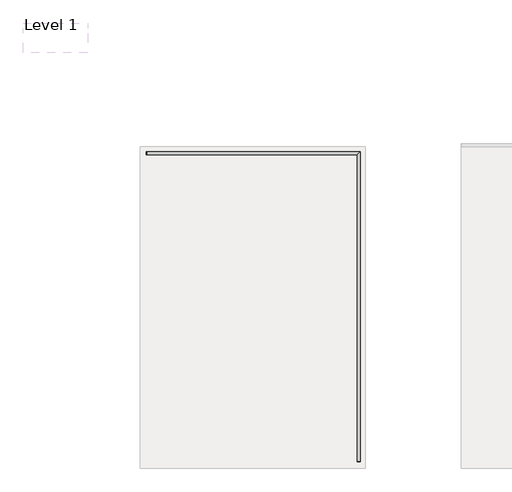
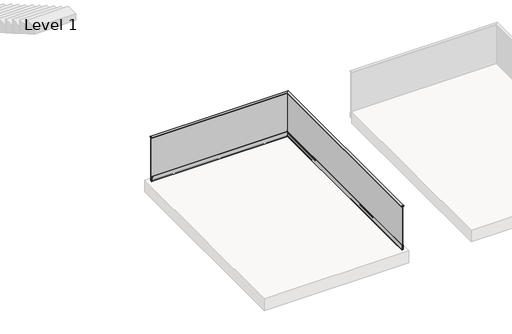
# One storey, part 9 of 11: 1 railing.
"""IFC4 building model written with IfcOpenShell, lengths in millimetres."""

from ifc_helpers import new_model, si_unit, frame, origin, place, context, project, spatial, polyline, circle_curve, ellipse_curve, outline, extrude, faceted_brep, element, save
from ifc_brep_helpers import plane_surface, cylinder_surface, revolved_surface, advanced_brep

model = new_model("IFC4")

# Units and contexts
model_context = context("Model", 3, world=origin())
ifc_project = project(units=[si_unit("LENGTHUNIT", "METRE", prefix="MILLI")], contexts=[model_context])

# Site, building, storey
site = spatial("IfcSite", under=ifc_project)
building = spatial("IfcBuilding", under=site)
storey = spatial("IfcBuildingStorey", under=building, Name="Level 1", Elevation=0.0)

# Railing
placement = place(None, origin())
element("IfcRailing", 1, at=placement, inside=storey, context=model_context, shape_type="SolidModel", body=[
    advanced_brep(
    [(-10291.5524845, -31764.3362173, 1126.0), (-10291.5524845, -31767.3362173, 1126.0), (-10243.5524845, -31767.3362173, 1126.0), (-10243.5524845, -31764.3362173, 1126.0), (-10291.5524845, -31764.3362173, 1106.0), (-10243.5524845, -31764.3362173, 1106.0), (-10243.5524845, -31767.3362173, 1106.0), (-10291.5524845, -31767.3362173, 1106.0), (-10277.0823668, -31767.3362173, 1110.0), (-10278.8492874, -31767.3362173, 1110.0), (-10278.8492874, -31767.3362173, 1121.8910916), (-10277.0823668, -31767.3362173, 1121.8910916), (-10272.4550834, -31767.3362173, 1113.8283296), (-10273.8430621, -31767.3362173, 1110.0418015), (-10275.120848, -31767.3362173, 1110.0418015), (-10271.8795529, -31767.3362173, 1119.7289848), (-10271.2907357, -31767.3362173, 1121.9204218), (-10271.2907357, -31767.3362173, 1123.4042101), (-10270.2907357, -31767.3362173, 1123.4042101), (-10270.2907357, -31767.3362173, 1121.9204218), (-10269.7019184, -31767.3362173, 1119.7289848), (-10266.4606233, -31767.3362173, 1110.0418015), (-10267.7384092, -31767.3362173, 1110.0418015), (-10269.1263879, -31767.3362173, 1113.8283296), (-10258.944788, -31767.3362173, 1113.2872278), (-10262.9474759, -31767.3362173, 1118.8363254), (-10262.9474759, -31767.3362173, 1110.0), (-10264.7143965, -31767.3362173, 1110.0), (-10264.7143965, -31767.3362173, 1121.8910916), (-10263.0417337, -31767.3362173, 1121.8910916), (-10258.9410365, -31767.3362173, 1116.2372765), (-10254.8641105, -31767.3362173, 1121.8910916), (-10253.2119805, -31767.3362173, 1121.8910916), (-10253.2119805, -31767.3362173, 1110.0), (-10254.9875828, -31767.3362173, 1110.0), (-10254.9875828, -31767.3362173, 1118.8363254), (-10269.6772917, -31767.3362173, 1115.3283296), (-10270.7907357, -31767.3362173, 1118.3642296), (-10271.9041797, -31767.3362173, 1115.3283296), (-10278.8492874, -31766.5362173, 1110.0), (-10277.0823668, -31766.5362173, 1110.0), (-10277.0823668, -31766.5362173, 1121.8910916), (-10278.8492874, -31766.5362173, 1121.8910916), (-10273.8430621, -31766.5362173, 1110.0418015), (-10272.4550834, -31766.5362173, 1113.8283296), (-10269.1263879, -31766.5362173, 1113.8283296), (-10267.7384092, -31766.5362173, 1110.0418015), (-10266.4606233, -31766.5362173, 1110.0418015), (-10269.7019184, -31766.5362173, 1119.7289848), (-10270.2907357, -31766.5362173, 1121.9204218), (-10270.2907357, -31766.5362173, 1123.4042101), (-10271.2907357, -31766.5362173, 1123.4042101), (-10271.2907357, -31766.5362173, 1121.9204218), (-10271.8795529, -31766.5362173, 1119.7289848), (-10275.120848, -31766.5362173, 1110.0418015), (-10270.7907357, -31766.5362173, 1118.3642296), (-10269.6772917, -31766.5362173, 1115.3283296), (-10271.9041797, -31766.5362173, 1115.3283296), (-10262.9474759, -31766.5362173, 1118.8363254), (-10258.944788, -31766.5362173, 1113.2872278), (-10254.9875828, -31766.5362173, 1118.8363254), (-10254.9875828, -31766.5362173, 1110.0), (-10253.2119805, -31766.5362173, 1110.0), (-10253.2119805, -31766.5362173, 1121.8910916), (-10254.8641105, -31766.5362173, 1121.8910916), (-10258.9410365, -31766.5362173, 1116.2372765), (-10263.0417337, -31766.5362173, 1121.8910916), (-10264.7143965, -31766.5362173, 1121.8910916), (-10264.7143965, -31766.5362173, 1110.0), (-10262.9474759, -31766.5362173, 1110.0)],
    [
        (0, 1),
        (1, 2),
        (2, 3),
        (3, 0),
        (4, 5),
        (5, 6),
        (6, 7),
        (7, 4),
        (0, 4),
        (7, 1),
        (6, 2),
        (8, 9),
        (9, 10),
        (10, 11),
        (11, 8),
        (12, 13),
        (13, 14),
        (14, 15),
        (15, 16, circle_curve(frame((-10270.7907357, -31767.3362173, 1120.6112537), z_axis=(0.0, 1.0, 0.0), x_axis=(1.0, 0.0, 0.0)), 1.4013998)),
        (16, 17),
        (17, 18),
        (18, 19),
        (19, 20, circle_curve(frame((-10270.7907357, -31767.3362173, 1120.6112537), z_axis=(0.0, 1.0, 0.0), x_axis=(1.0, 0.0, 0.0)), 1.4013998)),
        (20, 21),
        (21, 22),
        (22, 23),
        (23, 12),
        (24, 25),
        (25, 26),
        (26, 27),
        (27, 28),
        (28, 29),
        (29, 30),
        (30, 31),
        (31, 32),
        (32, 33),
        (33, 34),
        (34, 35),
        (35, 24),
        (36, 37),
        (37, 38),
        (38, 36),
        (5, 3),
        (39, 40),
        (40, 41),
        (41, 42),
        (42, 39),
        (43, 44),
        (44, 45),
        (45, 46),
        (46, 47),
        (47, 48),
        (48, 49, circle_curve(frame((-10270.7907357, -31766.5362173, 1120.6112537), z_axis=(0.0, -1.0, 0.0), x_axis=(1.0, 0.0, 0.0)), 1.4013998)),
        (49, 50),
        (50, 51),
        (51, 52),
        (52, 53, circle_curve(frame((-10270.7907357, -31766.5362173, 1120.6112537), z_axis=(0.0, -1.0, 0.0), x_axis=(1.0, 0.0, 0.0)), 1.4013998)),
        (53, 54),
        (54, 43),
        (55, 56),
        (56, 57),
        (57, 55),
        (58, 59),
        (59, 60),
        (60, 61),
        (61, 62),
        (62, 63),
        (63, 64),
        (64, 65),
        (65, 66),
        (66, 67),
        (67, 68),
        (68, 69),
        (69, 58),
        (39, 9),
        (8, 40),
        (11, 41),
        (10, 42),
        (43, 13),
        (12, 44),
        (23, 45),
        (22, 46),
        (21, 47),
        (20, 48),
        (19, 49),
        (18, 50),
        (17, 51),
        (16, 52),
        (15, 53),
        (14, 54),
        (55, 37),
        (36, 56),
        (38, 57),
        (58, 25),
        (24, 59),
        (35, 60),
        (34, 61),
        (33, 62),
        (32, 63),
        (31, 64),
        (30, 65),
        (29, 66),
        (28, 67),
        (27, 68),
        (26, 69),
    ],
    [
        plane_surface(frame((-10291.5524845, -31767.3362173, 1126.0), z_axis=(0.0, 0.0, 1.0), x_axis=(0.0, -1.0, 0.0))),
        plane_surface(frame((-10291.5524845, -31767.3362173, 1106.0), z_axis=(0.0, 0.0, -1.0), x_axis=(0.0, 1.0, 0.0))),
        plane_surface(frame((-10291.5524845, -31764.3362173, 1126.0), z_axis=(-1.0, 0.0, 0.0), x_axis=(0.0, 0.0, -1.0))),
        plane_surface(frame((-10291.5524845, -31767.3362173, 1126.0), z_axis=(0.0, -1.0, 0.0), x_axis=(0.0, 0.0, -1.0))),
        plane_surface(frame((-10243.5524845, -31767.3362173, 1126.0), z_axis=(1.0, 0.0, 0.0), x_axis=(0.0, 0.0, -1.0))),
        plane_surface(frame((-10243.5524845, -31764.3362173, 1126.0), z_axis=(0.0, 1.0, 0.0), x_axis=(0.0, 0.0, -1.0))),
        plane_surface(frame((-10277.0823668, -31766.5362173, 1110.0), z_axis=(0.0, -1.0, 0.0), x_axis=(-1.0, 0.0, 0.0))),
        plane_surface(frame((-10278.8492874, -31773.7911269, 1110.0), z_axis=(0.0, 0.0, 1.0), x_axis=(0.0, 1.0, 0.0))),
        plane_surface(frame((-10277.0823668, -31773.7911269, 1110.0), z_axis=(-1.0, 0.0, 0.0), x_axis=(0.0, 1.0, 0.0))),
        plane_surface(frame((-10277.0823668, -31773.7911269, 1121.8910916), z_axis=(0.0, 0.0, -1.0), x_axis=(0.0, 1.0, 0.0))),
        plane_surface(frame((-10278.8492874, -31773.7911269, 1121.8910916), z_axis=(1.0, 0.0, 0.0), x_axis=(0.0, 1.0, 0.0))),
        plane_surface(frame((-10273.8430621, -31773.7911269, 1110.0418015), z_axis=(-0.9389095690504639, 0.0, 0.34416394515618903), x_axis=(0.0, 1.0, 0.0))),
        plane_surface(frame((-10272.4550834, -31773.7911269, 1113.8283296), z_axis=(0.0, 0.0, 1.0), x_axis=(0.0, 1.0, 0.0))),
        plane_surface(frame((-10269.1263879, -31773.7911269, 1113.8283296), z_axis=(0.9389095690504728, 0.0, 0.34416394515616455), x_axis=(0.0, 1.0, 0.0))),
        plane_surface(frame((-10267.7384092, -31773.7911269, 1110.0418015), z_axis=(0.0, 0.0, 1.0), x_axis=(0.0, 1.0, 0.0))),
        plane_surface(frame((-10266.4606233, -31773.7911269, 1110.0418015), z_axis=(-0.9483233937709086, 0.0, -0.3173054377517449), x_axis=(0.0, 1.0, 0.0))),
        revolved_surface(polyline([(-10269.389335900001, -31767.3362173, 1120.6112537), (-10269.389335900001, -31766.5362173, 1120.6112537)]), (-10270.7907357, -31764.3362173, 1120.6112537), (0.0, -1.0, 0.0)),
        plane_surface(frame((-10270.2907357, -31773.7911269, 1121.9204218), z_axis=(-1.0, 0.0, -8.150728408147997e-12), x_axis=(0.0, 1.0, 0.0))),
        plane_surface(frame((-10270.2907357, -31773.7911269, 1123.4042101), z_axis=(0.0, 0.0, -1.0), x_axis=(0.0, 1.0, 0.0))),
        plane_surface(frame((-10271.2907357, -31773.7911269, 1123.4042101), z_axis=(1.0, 0.0, 0.0), x_axis=(0.0, 1.0, 0.0))),
        plane_surface(frame((-10271.8795529, -31773.7911269, 1119.7289848), z_axis=(0.9483233937714675, 0.0, -0.3173054377500742), x_axis=(0.0, 1.0, 0.0))),
        plane_surface(frame((-10275.120848, -31773.7911269, 1110.0418015), z_axis=(0.0, 0.0, 1.0), x_axis=(0.0, 1.0, 0.0))),
        plane_surface(frame((-10270.7907357, -31773.7911269, 1118.3642296), z_axis=(0.9388482559136598, 0.0, 0.3443311667100135), x_axis=(0.0, 1.0, 0.0))),
        plane_surface(frame((-10269.6772917, -31773.7911269, 1115.3283296), z_axis=(0.0, 0.0, -1.0), x_axis=(0.0, 1.0, 0.0))),
        plane_surface(frame((-10271.9041797, -31773.7911269, 1115.3283296), z_axis=(-0.9388482559137024, 0.0, 0.3443311667098978), x_axis=(0.0, 1.0, 0.0))),
        plane_surface(frame((-10262.9474759, -31773.7911269, 1118.8363254), z_axis=(0.8110255103954597, 0.0, 0.5850107874969352), x_axis=(0.0, 1.0, 0.0))),
        plane_surface(frame((-10258.944788, -31773.7911269, 1113.2872278), z_axis=(-0.8141798587893506, 0.0, 0.5806127431789222), x_axis=(0.0, 1.0, 0.0))),
        plane_surface(frame((-10254.9875828, -31773.7911269, 1118.8363254), z_axis=(1.0, 0.0, 0.0), x_axis=(0.0, 1.0, 0.0))),
        plane_surface(frame((-10254.9875828, -31773.7911269, 1110.0), z_axis=(0.0, 0.0, 1.0), x_axis=(0.0, 1.0, 0.0))),
        plane_surface(frame((-10253.2119805, -31773.7911269, 1110.0), z_axis=(-1.0, 0.0, 0.0), x_axis=(0.0, 1.0, 0.0))),
        plane_surface(frame((-10253.2119805, -31773.7911269, 1121.8910916), z_axis=(0.0, 0.0, -1.0), x_axis=(0.0, 1.0, 0.0))),
        plane_surface(frame((-10254.8641105, -31773.7911269, 1121.8910916), z_axis=(0.8111137792362568, 0.0, -0.5848883971605838), x_axis=(0.0, 1.0, 0.0))),
        plane_surface(frame((-10258.9410365, -31773.7911269, 1116.2372765), z_axis=(-0.8094960389787019, 0.0, -0.5871253383033234), x_axis=(0.0, 1.0, 0.0))),
        plane_surface(frame((-10263.0417337, -31773.7911269, 1121.8910916), z_axis=(0.0, 0.0, -1.0), x_axis=(0.0, 1.0, 0.0))),
        plane_surface(frame((-10264.7143965, -31773.7911269, 1121.8910916), z_axis=(1.0, 0.0, 0.0), x_axis=(0.0, 1.0, 0.0))),
        plane_surface(frame((-10264.7143965, -31773.7911269, 1110.0), z_axis=(0.0, 0.0, 1.0), x_axis=(0.0, 1.0, 0.0))),
        plane_surface(frame((-10262.9474759, -31773.7911269, 1110.0), z_axis=(-1.0, 0.0, 0.0), x_axis=(0.0, 1.0, 0.0))),
    ],
    [
        (0, [[1, 2, 3, 4]]),
        (1, [[5, 6, 7, 8]]),
        (2, [[-1, 9, -8, 10]]),
        (3, [[-2, -10, -7, 11], [12, 13, 14, 15], [16, 17, 18, 19, 20, 21, 22, 23, 24, 25, 26, 27], [28, 29, 30, 31, 32, 33, 34, 35, 36, 37, 38, 39]]),
        (3, [[40, 41, 42]]),
        (4, [[-3, -11, -6, 43]]),
        (5, [[-4, -43, -5, -9]]),
        (6, [[44, 45, 46, 47]]),
        (6, [[48, 49, 50, 51, 52, 53, 54, 55, 56, 57, 58, 59], [60, 61, 62]]),
        (6, [[63, 64, 65, 66, 67, 68, 69, 70, 71, 72, 73, 74]]),
        (7, [[-44, 75, -12, 76]]),
        (8, [[-45, -76, -15, 77]]),
        (9, [[-46, -77, -14, 78]]),
        (10, [[-47, -78, -13, -75]]),
        (11, [[-48, 79, -16, 80]]),
        (12, [[-49, -80, -27, 81]]),
        (13, [[-50, -81, -26, 82]]),
        (14, [[-51, -82, -25, 83]]),
        (15, [[-52, -83, -24, 84]]),
        (16, [[-53, -84, -23, 85]]),
        (17, [[-54, -85, -22, 86]]),
        (18, [[-55, -86, -21, 87]]),
        (19, [[-56, -87, -20, 88]]),
        (16, [[-57, -88, -19, 89]]),
        (20, [[-58, -89, -18, 90]]),
        (21, [[-59, -90, -17, -79]]),
        (22, [[-60, 91, -40, 92]]),
        (23, [[-61, -92, -42, 93]]),
        (24, [[-62, -93, -41, -91]]),
        (25, [[-63, 94, -28, 95]]),
        (26, [[-64, -95, -39, 96]]),
        (27, [[-65, -96, -38, 97]]),
        (28, [[-66, -97, -37, 98]]),
        (29, [[-67, -98, -36, 99]]),
        (30, [[-68, -99, -35, 100]]),
        (31, [[-69, -100, -34, 101]]),
        (32, [[-70, -101, -33, 102]]),
        (33, [[-71, -102, -32, 103]]),
        (34, [[-72, -103, -31, 104]]),
        (35, [[-73, -104, -30, 105]]),
        (36, [[-74, -105, -29, -94]]),
    ],
),
    advanced_brep(
    [(-13568.5524845, -26939.3362173, 1126.0), (-13571.5524845, -26939.3362173, 1126.0), (-13571.5524845, -26987.3362173, 1126.0), (-13568.5524845, -26987.3362173, 1126.0), (-13568.5524845, -26939.3362173, 1106.0), (-13568.5524845, -26987.3362173, 1106.0), (-13571.5524845, -26987.3362173, 1106.0), (-13571.5524845, -26939.3362173, 1106.0), (-13571.5524845, -26953.8063349, 1110.0), (-13571.5524845, -26952.0394144, 1110.0), (-13571.5524845, -26952.0394144, 1121.8910916), (-13571.5524845, -26953.8063349, 1121.8910916), (-13571.5524845, -26958.4336183, 1113.8283296), (-13571.5524845, -26957.0456396, 1110.0418015), (-13571.5524845, -26955.7678537, 1110.0418015), (-13571.5524845, -26959.0091488, 1119.7289848), (-13571.5524845, -26959.5979661, 1121.9204218), (-13571.5524845, -26959.5979661, 1123.4042101), (-13571.5524845, -26960.5979661, 1123.4042101), (-13571.5524845, -26960.5979661, 1121.9204218), (-13571.5524845, -26961.1867833, 1119.7289848), (-13571.5524845, -26964.4280784, 1110.0418015), (-13571.5524845, -26963.1502925, 1110.0418015), (-13571.5524845, -26961.7623138, 1113.8283296), (-13571.5524845, -26971.9439137, 1113.2872278), (-13571.5524845, -26967.9412259, 1118.8363254), (-13571.5524845, -26967.9412259, 1110.0), (-13571.5524845, -26966.1743053, 1110.0), (-13571.5524845, -26966.1743053, 1121.8910916), (-13571.5524845, -26967.846968, 1121.8910916), (-13571.5524845, -26971.9476652, 1116.2372765), (-13571.5524845, -26976.0245912, 1121.8910916), (-13571.5524845, -26977.6767212, 1121.8910916), (-13571.5524845, -26977.6767212, 1110.0), (-13571.5524845, -26975.901119, 1110.0), (-13571.5524845, -26975.901119, 1118.8363254), (-13571.5524845, -26961.2114101, 1115.3283296), (-13571.5524845, -26960.0979661, 1118.3642296), (-13571.5524845, -26958.9845221, 1115.3283296), (-13570.7524845, -26952.0394144, 1110.0), (-13570.7524845, -26953.8063349, 1110.0), (-13570.7524845, -26953.8063349, 1121.8910916), (-13570.7524845, -26952.0394144, 1121.8910916), (-13570.7524845, -26957.0456396, 1110.0418015), (-13570.7524845, -26958.4336183, 1113.8283296), (-13570.7524845, -26961.7623138, 1113.8283296), (-13570.7524845, -26963.1502925, 1110.0418015), (-13570.7524845, -26964.4280784, 1110.0418015), (-13570.7524845, -26961.1867833, 1119.7289848), (-13570.7524845, -26960.5979661, 1121.9204218), (-13570.7524845, -26960.5979661, 1123.4042101), (-13570.7524845, -26959.5979661, 1123.4042101), (-13570.7524845, -26959.5979661, 1121.9204218), (-13570.7524845, -26959.0091488, 1119.7289848), (-13570.7524845, -26955.7678537, 1110.0418015), (-13570.7524845, -26960.0979661, 1118.3642296), (-13570.7524845, -26961.2114101, 1115.3283296), (-13570.7524845, -26958.9845221, 1115.3283296), (-13570.7524845, -26967.9412259, 1118.8363254), (-13570.7524845, -26971.9439137, 1113.2872278), (-13570.7524845, -26975.901119, 1118.8363254), (-13570.7524845, -26975.901119, 1110.0), (-13570.7524845, -26977.6767212, 1110.0), (-13570.7524845, -26977.6767212, 1121.8910916), (-13570.7524845, -26976.0245912, 1121.8910916), (-13570.7524845, -26971.9476652, 1116.2372765), (-13570.7524845, -26967.846968, 1121.8910916), (-13570.7524845, -26966.1743053, 1121.8910916), (-13570.7524845, -26966.1743053, 1110.0), (-13570.7524845, -26967.9412259, 1110.0)],
    [
        (0, 1),
        (1, 2),
        (2, 3),
        (3, 0),
        (4, 5),
        (5, 6),
        (6, 7),
        (7, 4),
        (0, 4),
        (7, 1),
        (6, 2),
        (8, 9),
        (9, 10),
        (10, 11),
        (11, 8),
        (12, 13),
        (13, 14),
        (14, 15),
        (15, 16, circle_curve(frame((-13571.5524845, -26960.0979661, 1120.6112537), z_axis=(1.0, 0.0, 0.0), x_axis=(0.0, -1.0, 0.0)), 1.4013998)),
        (16, 17),
        (17, 18),
        (18, 19),
        (19, 20, circle_curve(frame((-13571.5524845, -26960.0979661, 1120.6112537), z_axis=(1.0, 0.0, 0.0), x_axis=(0.0, -1.0, 0.0)), 1.4013998)),
        (20, 21),
        (21, 22),
        (22, 23),
        (23, 12),
        (24, 25),
        (25, 26),
        (26, 27),
        (27, 28),
        (28, 29),
        (29, 30),
        (30, 31),
        (31, 32),
        (32, 33),
        (33, 34),
        (34, 35),
        (35, 24),
        (36, 37),
        (37, 38),
        (38, 36),
        (5, 3),
        (39, 40),
        (40, 41),
        (41, 42),
        (42, 39),
        (43, 44),
        (44, 45),
        (45, 46),
        (46, 47),
        (47, 48),
        (48, 49, circle_curve(frame((-13570.7524845, -26960.0979661, 1120.6112537), z_axis=(-1.0, 0.0, 0.0), x_axis=(0.0, -1.0, 0.0)), 1.4013998)),
        (49, 50),
        (50, 51),
        (51, 52),
        (52, 53, circle_curve(frame((-13570.7524845, -26960.0979661, 1120.6112537), z_axis=(-1.0, 0.0, 0.0), x_axis=(0.0, -1.0, 0.0)), 1.4013998)),
        (53, 54),
        (54, 43),
        (55, 56),
        (56, 57),
        (57, 55),
        (58, 59),
        (59, 60),
        (60, 61),
        (61, 62),
        (62, 63),
        (63, 64),
        (64, 65),
        (65, 66),
        (66, 67),
        (67, 68),
        (68, 69),
        (69, 58),
        (39, 9),
        (8, 40),
        (11, 41),
        (10, 42),
        (43, 13),
        (12, 44),
        (23, 45),
        (22, 46),
        (21, 47),
        (20, 48),
        (19, 49),
        (18, 50),
        (17, 51),
        (16, 52),
        (15, 53),
        (14, 54),
        (55, 37),
        (36, 56),
        (38, 57),
        (58, 25),
        (24, 59),
        (35, 60),
        (34, 61),
        (33, 62),
        (32, 63),
        (31, 64),
        (30, 65),
        (29, 66),
        (28, 67),
        (27, 68),
        (26, 69),
    ],
    [
        plane_surface(frame((-13571.5524845, -26939.3362173, 1126.0), z_axis=(0.0, 0.0, 1.0), x_axis=(-1.0, 0.0, 0.0))),
        plane_surface(frame((-13571.5524845, -26939.3362173, 1106.0), z_axis=(0.0, 0.0, -1.0), x_axis=(1.0, 0.0, 0.0))),
        plane_surface(frame((-13568.5524845, -26939.3362173, 1126.0), z_axis=(0.0, 1.0, 0.0), x_axis=(0.0, 0.0, -1.0))),
        plane_surface(frame((-13571.5524845, -26939.3362173, 1126.0), z_axis=(-1.0, 0.0, 0.0), x_axis=(0.0, 0.0, -1.0))),
        plane_surface(frame((-13571.5524845, -26987.3362173, 1126.0), z_axis=(0.0, -1.0, 0.0), x_axis=(0.0, 0.0, -1.0))),
        plane_surface(frame((-13568.5524845, -26987.3362173, 1126.0), z_axis=(1.0, 0.0, 0.0), x_axis=(0.0, 0.0, -1.0))),
        plane_surface(frame((-13570.7524845, -26953.8063349, 1110.0), z_axis=(-1.0, 0.0, 0.0), x_axis=(0.0, 1.0, 0.0))),
        plane_surface(frame((-13578.007394, -26952.0394144, 1110.0), z_axis=(0.0, 0.0, 1.0), x_axis=(1.0, 0.0, 0.0))),
        plane_surface(frame((-13578.007394, -26953.8063349, 1110.0), z_axis=(0.0, 1.0, 0.0), x_axis=(1.0, 0.0, 0.0))),
        plane_surface(frame((-13578.007394, -26953.8063349, 1121.8910916), z_axis=(0.0, 0.0, -1.0), x_axis=(1.0, 0.0, 0.0))),
        plane_surface(frame((-13578.007394, -26952.0394144, 1121.8910916), z_axis=(0.0, -1.0, 0.0), x_axis=(1.0, 0.0, 0.0))),
        plane_surface(frame((-13578.007394, -26957.0456396, 1110.0418015), z_axis=(0.0, 0.9389095690504639, 0.34416394515618903), x_axis=(1.0, 0.0, 0.0))),
        plane_surface(frame((-13578.007394, -26958.4336183, 1113.8283296), z_axis=(0.0, 0.0, 1.0), x_axis=(1.0, 0.0, 0.0))),
        plane_surface(frame((-13578.007394, -26961.7623138, 1113.8283296), z_axis=(0.0, -0.9389095690504728, 0.34416394515616455), x_axis=(1.0, 0.0, 0.0))),
        plane_surface(frame((-13578.007394, -26963.1502925, 1110.0418015), z_axis=(0.0, 0.0, 1.0), x_axis=(1.0, 0.0, 0.0))),
        plane_surface(frame((-13578.007394, -26964.4280784, 1110.0418015), z_axis=(0.0, 0.9483233937709086, -0.3173054377517449), x_axis=(1.0, 0.0, 0.0))),
        revolved_surface(polyline([(-13571.5524845, -26961.4993659, 1120.6112537), (-13570.7524845, -26961.4993659, 1120.6112537)]), (-13568.5524845, -26960.0979661, 1120.6112537), (-1.0, 0.0, 0.0)),
        plane_surface(frame((-13578.007394, -26960.5979661, 1121.9204218), z_axis=(0.0, 1.0, -8.150728408147997e-12), x_axis=(1.0, 0.0, 0.0))),
        plane_surface(frame((-13578.007394, -26960.5979661, 1123.4042101), z_axis=(0.0, 0.0, -1.0), x_axis=(1.0, 0.0, 0.0))),
        plane_surface(frame((-13578.007394, -26959.5979661, 1123.4042101), z_axis=(0.0, -1.0, 0.0), x_axis=(1.0, 0.0, 0.0))),
        plane_surface(frame((-13578.007394, -26959.0091488, 1119.7289848), z_axis=(0.0, -0.9483233937714675, -0.3173054377500742), x_axis=(1.0, 0.0, 0.0))),
        plane_surface(frame((-13578.007394, -26955.7678537, 1110.0418015), z_axis=(0.0, 0.0, 1.0), x_axis=(1.0, 0.0, 0.0))),
        plane_surface(frame((-13578.007394, -26960.0979661, 1118.3642296), z_axis=(0.0, -0.9388482559136598, 0.3443311667100135), x_axis=(1.0, 0.0, 0.0))),
        plane_surface(frame((-13578.007394, -26961.2114101, 1115.3283296), z_axis=(0.0, 0.0, -1.0), x_axis=(1.0, 0.0, 0.0))),
        plane_surface(frame((-13578.007394, -26958.9845221, 1115.3283296), z_axis=(0.0, 0.9388482559137024, 0.3443311667098978), x_axis=(1.0, 0.0, 0.0))),
        plane_surface(frame((-13578.007394, -26967.9412259, 1118.8363254), z_axis=(0.0, -0.8110255103954597, 0.5850107874969352), x_axis=(1.0, 0.0, 0.0))),
        plane_surface(frame((-13578.007394, -26971.9439137, 1113.2872278), z_axis=(0.0, 0.8141798587893506, 0.5806127431789222), x_axis=(1.0, 0.0, 0.0))),
        plane_surface(frame((-13578.007394, -26975.901119, 1118.8363254), z_axis=(0.0, -1.0, 0.0), x_axis=(1.0, 0.0, 0.0))),
        plane_surface(frame((-13578.007394, -26975.901119, 1110.0), z_axis=(0.0, 0.0, 1.0), x_axis=(1.0, 0.0, 0.0))),
        plane_surface(frame((-13578.007394, -26977.6767212, 1110.0), z_axis=(0.0, 1.0, 0.0), x_axis=(1.0, 0.0, 0.0))),
        plane_surface(frame((-13578.007394, -26977.6767212, 1121.8910916), z_axis=(0.0, 0.0, -1.0), x_axis=(1.0, 0.0, 0.0))),
        plane_surface(frame((-13578.007394, -26976.0245912, 1121.8910916), z_axis=(0.0, -0.8111137792362568, -0.5848883971605838), x_axis=(1.0, 0.0, 0.0))),
        plane_surface(frame((-13578.007394, -26971.9476652, 1116.2372765), z_axis=(0.0, 0.8094960389787019, -0.5871253383033234), x_axis=(1.0, 0.0, 0.0))),
        plane_surface(frame((-13578.007394, -26967.846968, 1121.8910916), z_axis=(0.0, 0.0, -1.0), x_axis=(1.0, 0.0, 0.0))),
        plane_surface(frame((-13578.007394, -26966.1743053, 1121.8910916), z_axis=(0.0, -1.0, 0.0), x_axis=(1.0, 0.0, 0.0))),
        plane_surface(frame((-13578.007394, -26966.1743053, 1110.0), z_axis=(0.0, 0.0, 1.0), x_axis=(1.0, 0.0, 0.0))),
        plane_surface(frame((-13578.007394, -26967.9412259, 1110.0), z_axis=(0.0, 1.0, 0.0), x_axis=(1.0, 0.0, 0.0))),
    ],
    [
        (0, [[1, 2, 3, 4]]),
        (1, [[5, 6, 7, 8]]),
        (2, [[-1, 9, -8, 10]]),
        (3, [[-2, -10, -7, 11], [12, 13, 14, 15], [16, 17, 18, 19, 20, 21, 22, 23, 24, 25, 26, 27], [28, 29, 30, 31, 32, 33, 34, 35, 36, 37, 38, 39]]),
        (3, [[40, 41, 42]]),
        (4, [[-3, -11, -6, 43]]),
        (5, [[-4, -43, -5, -9]]),
        (6, [[44, 45, 46, 47]]),
        (6, [[48, 49, 50, 51, 52, 53, 54, 55, 56, 57, 58, 59], [60, 61, 62]]),
        (6, [[63, 64, 65, 66, 67, 68, 69, 70, 71, 72, 73, 74]]),
        (7, [[-44, 75, -12, 76]]),
        (8, [[-45, -76, -15, 77]]),
        (9, [[-46, -77, -14, 78]]),
        (10, [[-47, -78, -13, -75]]),
        (11, [[-48, 79, -16, 80]]),
        (12, [[-49, -80, -27, 81]]),
        (13, [[-50, -81, -26, 82]]),
        (14, [[-51, -82, -25, 83]]),
        (15, [[-52, -83, -24, 84]]),
        (16, [[-53, -84, -23, 85]]),
        (17, [[-54, -85, -22, 86]]),
        (18, [[-55, -86, -21, 87]]),
        (19, [[-56, -87, -20, 88]]),
        (16, [[-57, -88, -19, 89]]),
        (20, [[-58, -89, -18, 90]]),
        (21, [[-59, -90, -17, -79]]),
        (22, [[-60, 91, -40, 92]]),
        (23, [[-61, -92, -42, 93]]),
        (24, [[-62, -93, -41, -91]]),
        (25, [[-63, 94, -28, 95]]),
        (26, [[-64, -95, -39, 96]]),
        (27, [[-65, -96, -38, 97]]),
        (28, [[-66, -97, -37, 98]]),
        (29, [[-67, -98, -36, 99]]),
        (30, [[-68, -99, -35, 100]]),
        (31, [[-69, -100, -34, 101]]),
        (32, [[-70, -101, -33, 102]]),
        (33, [[-71, -102, -32, 103]]),
        (34, [[-72, -103, -31, 104]]),
        (35, [[-73, -104, -30, 105]]),
        (36, [[-74, -105, -29, -94]]),
    ],
),
    faceted_brep([(-10255.5524845, -26951.3362173, 1116.0), (-10255.5524845, -26951.3362173, 1106.0), (-10255.5524845, -31763.3362173, 1106.0), (-10255.5524845, -31763.3362173, 1116.0), (-10243.5524845, -26939.3362173, 1106.0), (-10243.5524845, -31763.3362173, 1106.0), (-10279.5524845, -26975.3362173, 1106.0), (-10279.5524845, -26975.3362173, 1116.0), (-10279.5524845, -31763.3362173, 1116.0), (-10279.5524845, -31763.3362173, 1106.0), (-10291.5524845, -26987.3362173, 1106.0), (-10291.5524845, -31763.3362173, 1106.0), (-10291.5524845, -26987.3362173, 1126.0), (-10291.5524845, -31763.3362173, 1126.0), (-10243.5524845, -26939.3362173, 1126.0), (-10243.5524845, -31763.3362173, 1126.0), (-13567.5524845, -26975.3362173, 1116.0), (-13567.5524845, -26951.3362173, 1116.0), (-13567.5524845, -26975.3362173, 1106.0), (-13567.5524845, -26951.3362173, 1106.0), (-13568.5524845, -26951.3362173, 1116.0), (-13568.5524845, -26975.3362173, 1116.0), (-13568.5524845, -26975.3362173, 1106.0), (-13568.5524845, -26987.3362173, 1106.0), (-13568.5524845, -26987.3362173, 1126.0), (-13568.5524845, -26939.3362173, 1126.0), (-13568.5524845, -26939.3362173, 1106.0), (-13568.5524845, -26951.3362173, 1106.0), (-10255.5524845, -31764.3362173, 1116.0), (-10255.5524845, -31764.3362173, 1106.0), (-10243.5524845, -31764.3362173, 1106.0), (-10243.5524845, -31764.3362173, 1126.0), (-10291.5524845, -31764.3362173, 1126.0), (-10291.5524845, -31764.3362173, 1106.0), (-10279.5524845, -31764.3362173, 1106.0), (-10279.5524845, -31764.3362173, 1116.0), (-13567.5524845, -26987.3362173, 1106.0), (-13567.5524845, -26987.3362173, 1126.0), (-13567.5524845, -26939.3362173, 1126.0), (-13567.5524845, -26939.3362173, 1106.0)], [[[0, 1, 2, 3]], [[1, 4, 5, 2]], [[6, 7, 8, 9]], [[7, 0, 3, 8]], [[10, 6, 9, 11]], [[12, 10, 11, 13]], [[14, 12, 13, 15]], [[4, 14, 15, 5]], [[16, 17, 0, 7]], [[18, 16, 7, 6]], [[17, 19, 1, 0]], [[20, 21, 22, 23, 24, 25, 26, 27]], [[21, 20, 17, 16]], [[22, 21, 16, 18]], [[20, 27, 19, 17]], [[28, 29, 30, 31, 32, 33, 34, 35]], [[8, 3, 28, 35]], [[9, 8, 35, 34]], [[3, 2, 29, 28]], [[23, 22, 18, 36]], [[24, 23, 36, 37]], [[25, 24, 37, 38]], [[26, 25, 38, 39]], [[27, 26, 39, 19]], [[36, 18, 6, 10]], [[37, 36, 10, 12]], [[38, 37, 12, 14]], [[39, 38, 14, 4]], [[19, 39, 4, 1]], [[11, 9, 34, 33]], [[13, 11, 33, 32]], [[15, 13, 32, 31]], [[5, 15, 31, 30]], [[2, 5, 30, 29]]]),
    faceted_brep([(-10276.3124845, -31763.3362173, 1113.0), (-10276.3124845, -31763.3362173, 13.0), (-10258.7924845, -31763.3362173, 13.0), (-10258.7924845, -31763.3362173, 1113.0), (-10258.7924845, -26954.5762173, 13.0), (-10258.7924845, -26954.5762173, 1113.0), (-10276.3124845, -26972.0962173, 1113.0), (-13567.5524845, -26972.0962173, 1113.0), (-13567.5524845, -26954.5762173, 1113.0), (-13567.5524845, -26954.5762173, 13.0), (-13567.5524845, -26972.0962173, 13.0), (-10276.3124845, -26972.0962173, 13.0)], [[[0, 1, 2, 3]], [[4, 5, 3, 2]], [[5, 6, 0, 3]], [[7, 8, 9, 10]], [[9, 8, 5, 4]], [[8, 7, 6, 5]], [[10, 9, 4, 11]], [[7, 10, 11, 6]], [[11, 4, 2, 1]], [[6, 11, 1, 0]]]),
    advanced_brep(
    [(-10246.5524845, -31763.3362173, 120.0004585), (-10251.0143698, -31763.3362173, 120.0004585), (-10255.0524845, -31763.3362173, 30.0), (-10255.0524845, -31763.3362173, 11.0), (-10256.0524845, -31763.3362173, 10.0), (-10279.0524845, -31763.3362173, 10.0), (-10280.0524845, -31763.3362173, 11.0), (-10280.0524845, -31763.3362173, 76.5), (-10283.8524845, -31763.3362173, 99.4226497), (-10282.8524845, -31763.3362173, 100.0), (-10282.8524845, -31763.3362173, 120.0), (-10288.5524845, -31763.3362173, 120.0), (-10288.5524845, -31763.3362173, 0.0), (-10246.5524845, -31763.3362173, 0.0), (-13567.5524845, -26942.3362173, 120.0004585), (-13567.5524845, -26942.3362173, 0.0), (-13567.5524845, -26984.3362173, 0.0), (-13567.5524845, -26984.3362173, 120.0), (-13567.5524845, -26978.6362173, 120.0), (-13567.5524845, -26978.6362173, 100.0), (-13567.5524845, -26979.6362173, 99.4226497), (-13567.5524845, -26975.8362173, 76.5), (-13567.5524845, -26975.8362173, 11.0), (-13567.5524845, -26974.8362173, 10.0), (-13567.5524845, -26951.8362173, 10.0), (-13567.5524845, -26950.8362173, 11.0), (-13567.5524845, -26950.8362173, 30.0), (-13567.5524845, -26946.7981026, 120.0004585), (-10246.5524845, -26942.3362173, 120.0004585), (-10246.5524845, -26942.3362173, 0.0), (-10288.5524845, -26984.3362173, 0.0), (-10288.5524845, -26984.3362173, 120.0), (-10282.8524845, -26978.6362173, 120.0), (-10282.8524845, -26978.6362173, 100.0), (-10283.8524845, -26979.6362173, 99.4226497), (-10280.0524845, -26975.8362173, 76.5), (-10280.0524845, -26975.8362173, 11.0), (-10279.0524845, -26974.8362173, 10.0), (-10256.0524845, -26951.8362173, 10.0), (-10255.0524845, -26950.8362173, 11.0), (-10255.0524845, -26950.8362173, 30.0), (-10251.0143698, -26946.7981026, 120.0004585)],
    [
        (0, 1),
        (1, 2),
        (2, 3),
        (3, 4, circle_curve(frame((-10256.0524845, -31763.3362173, 11.0), z_axis=(0.0, 1.0, 0.0), x_axis=(-1.0, 0.0, 0.0)), 1.0)),
        (4, 5),
        (5, 6, circle_curve(frame((-10279.0524845, -31763.3362173, 11.0), z_axis=(0.0, 1.0, 0.0), x_axis=(-1.0, 0.0, 0.0)), 1.0)),
        (6, 7),
        (7, 8),
        (8, 9),
        (9, 10),
        (10, 11),
        (11, 12),
        (12, 13),
        (13, 0),
        (14, 15),
        (15, 16),
        (16, 17),
        (17, 18),
        (18, 19),
        (19, 20),
        (20, 21),
        (21, 22),
        (22, 23, circle_curve(frame((-13567.5524845, -26974.8362173, 11.0), z_axis=(1.0, 0.0, 0.0), x_axis=(0.0, -1.0, 0.0)), 1.0)),
        (23, 24),
        (24, 25, circle_curve(frame((-13567.5524845, -26951.8362173, 11.0), z_axis=(1.0, 0.0, 0.0), x_axis=(0.0, -1.0, 0.0)), 1.0)),
        (25, 26),
        (26, 27),
        (27, 14),
        (14, 28),
        (28, 29),
        (29, 15),
        (29, 30),
        (30, 16),
        (30, 31),
        (31, 17),
        (31, 32),
        (32, 18),
        (32, 33),
        (33, 19),
        (33, 34),
        (34, 20),
        (34, 35),
        (35, 21),
        (35, 36),
        (36, 22),
        (36, 37, ellipse_curve(frame((-10279.0524845, -26974.8362173, 11.0), z_axis=(0.7071067811865457, -0.7071067811865493, 0.0), x_axis=(0.7071067811865492, 0.7071067811865458, 0.0)), 1.4142136, 1.0)),
        (37, 23),
        (37, 38),
        (38, 24),
        (38, 39, ellipse_curve(frame((-10256.0524845, -26951.8362173, 11.0), z_axis=(0.7071067811865457, -0.7071067811865493, 0.0), x_axis=(0.7071067811865492, 0.7071067811865458, 0.0)), 1.4142136, 1.0)),
        (39, 25),
        (39, 40),
        (40, 26),
        (40, 41),
        (41, 27),
        (41, 28),
        (28, 0),
        (13, 29),
        (12, 30),
        (11, 31),
        (10, 32),
        (9, 33),
        (8, 34),
        (7, 35),
        (6, 36),
        (5, 37),
        (4, 38),
        (3, 39),
        (2, 40),
        (1, 41),
    ],
    [
        plane_surface(frame((-10267.5524845, -31763.3362173, 0.0), z_axis=(0.0, -1.0, 0.0), x_axis=(0.0, 0.0, -1.0))),
        plane_surface(frame((-13567.5524845, -26963.3362173, 0.0), z_axis=(-1.0, 0.0, 0.0), x_axis=(0.0, 1.0, 0.0))),
        plane_surface(frame((-13567.5524845, -26942.3362173, 120.0004585), z_axis=(0.0, 1.0, 0.0), x_axis=(1.0, 0.0, 0.0))),
        plane_surface(frame((-13567.5524845, -26942.3362173, 0.0), z_axis=(0.0, 0.0, -1.0), x_axis=(1.0, 0.0, 0.0))),
        plane_surface(frame((-13567.5524845, -26984.3362173, 0.0), z_axis=(0.0, -1.0, 0.0), x_axis=(1.0, 0.0, 0.0))),
        plane_surface(frame((-13567.5524845, -26984.3362173, 120.0), z_axis=(0.0, 0.0, 1.0), x_axis=(1.0, 0.0, 0.0))),
        plane_surface(frame((-13567.5524845, -26978.6362173, 120.0), z_axis=(0.0, 1.0, 0.0), x_axis=(1.0, 0.0, 0.0))),
        plane_surface(frame((-13567.5524845, -26978.6362173, 100.0), z_axis=(0.0, 0.4999999999996219, -0.866025403784657), x_axis=(1.0, 0.0, 0.0))),
        plane_surface(frame((-13567.5524845, -26979.6362173, 99.4226497), z_axis=(0.0, 0.9865362159973996, 0.16354294397965358), x_axis=(1.0, 0.0, 0.0))),
        plane_surface(frame((-13567.5524845, -26975.8362173, 76.5), z_axis=(0.0, 1.0, 0.0), x_axis=(1.0, 0.0, 0.0))),
        revolved_surface(polyline([(-10278.052484473394, -26975.8362173, 11.0), (-13567.5524845, -26975.8362173, 11.0)]), (-13567.5524845, -26974.8362173, 11.0), (1.0, 0.0, 0.0)),
        plane_surface(frame((-13567.5524845, -26974.8362173, 10.0), z_axis=(0.0, 0.0, 1.0), x_axis=(1.0, 0.0, 0.0))),
        revolved_surface(polyline([(-10255.052484473394, -26952.8362173, 11.0), (-13567.5524845, -26952.8362173, 11.0)]), (-13567.5524845, -26951.8362173, 11.0), (1.0, 0.0, 0.0)),
        plane_surface(frame((-13567.5524845, -26950.8362173, 11.0), z_axis=(0.0, -1.0, 0.0), x_axis=(1.0, 0.0, 0.0))),
        plane_surface(frame((-13567.5524845, -26950.8362173, 30.0), z_axis=(0.0, -0.9989949613987466, 0.04482261817338354), x_axis=(1.0, 0.0, 0.0))),
        plane_surface(frame((-13567.5524845, -26946.7981026, 120.0004585), z_axis=(0.0, 0.0, 1.0), x_axis=(1.0, 0.0, 0.0))),
        plane_surface(frame((-10246.5524845, -26942.3362173, 120.0004585), z_axis=(1.0, 0.0, 0.0), x_axis=(0.0, -1.0, 0.0))),
        plane_surface(frame((-10246.5524845, -26942.3362173, 0.0), z_axis=(0.0, 0.0, -1.0), x_axis=(0.0, -1.0, 0.0))),
        plane_surface(frame((-10288.5524845, -26984.3362173, 0.0), z_axis=(-1.0, 0.0, 0.0), x_axis=(0.0, -1.0, 0.0))),
        plane_surface(frame((-10288.5524845, -26984.3362173, 120.0), z_axis=(0.0, 0.0, 1.0), x_axis=(0.0, -1.0, 0.0))),
        plane_surface(frame((-10282.8524845, -26978.6362173, 120.0), z_axis=(1.0, 0.0, 0.0), x_axis=(0.0, -1.0, 0.0))),
        plane_surface(frame((-10282.8524845, -26978.6362173, 100.0), z_axis=(0.4999999999996219, 0.0, -0.866025403784657), x_axis=(0.0, -1.0, 0.0))),
        plane_surface(frame((-10283.8524845, -26979.6362173, 99.4226497), z_axis=(0.9865362159973996, 0.0, 0.16354294397965358), x_axis=(0.0, -1.0, 0.0))),
        plane_surface(frame((-10280.0524845, -26975.8362173, 76.5), z_axis=(1.0, 0.0, 0.0), x_axis=(0.0, -1.0, 0.0))),
        revolved_surface(polyline([(-10280.0524845, -31763.3362173, 11.0), (-10280.0524845, -26973.836217273394, 11.0)]), (-10279.0524845, -26963.3362173, 11.0), (0.0, -1.0, 0.0)),
        plane_surface(frame((-10279.0524845, -26974.8362173, 10.0), z_axis=(0.0, 0.0, 1.0), x_axis=(0.0, -1.0, 0.0))),
        revolved_surface(polyline([(-10257.0524845, -31763.3362173, 11.0), (-10257.0524845, -26950.836217273394, 11.0)]), (-10256.0524845, -26963.3362173, 11.0), (0.0, -1.0, 0.0)),
        plane_surface(frame((-10255.0524845, -26950.8362173, 11.0), z_axis=(-1.0, 0.0, 0.0), x_axis=(0.0, -1.0, 0.0))),
        plane_surface(frame((-10255.0524845, -26950.8362173, 30.0), z_axis=(-0.9989949613987466, 0.0, 0.04482261817338354), x_axis=(0.0, -1.0, 0.0))),
        plane_surface(frame((-10251.0143698, -26946.7981026, 120.0004585), z_axis=(0.0, 0.0, 1.0), x_axis=(0.0, -1.0, 0.0))),
    ],
    [
        (0, [[1, 2, 3, 4, 5, 6, 7, 8, 9, 10, 11, 12, 13, 14]]),
        (1, [[15, 16, 17, 18, 19, 20, 21, 22, 23, 24, 25, 26, 27, 28]]),
        (2, [[-15, 29, 30, 31]]),
        (3, [[-16, -31, 32, 33]]),
        (4, [[-17, -33, 34, 35]]),
        (5, [[-18, -35, 36, 37]]),
        (6, [[-19, -37, 38, 39]]),
        (7, [[-20, -39, 40, 41]]),
        (8, [[-21, -41, 42, 43]]),
        (9, [[-22, -43, 44, 45]]),
        (10, [[-23, -45, 46, 47]]),
        (11, [[-24, -47, 48, 49]]),
        (12, [[-25, -49, 50, 51]]),
        (13, [[-26, -51, 52, 53]]),
        (14, [[-27, -53, 54, 55]]),
        (15, [[-28, -55, 56, -29]]),
        (16, [[-30, 57, -14, 58]]),
        (17, [[-32, -58, -13, 59]]),
        (18, [[-34, -59, -12, 60]]),
        (19, [[-36, -60, -11, 61]]),
        (20, [[-38, -61, -10, 62]]),
        (21, [[-40, -62, -9, 63]]),
        (22, [[-42, -63, -8, 64]]),
        (23, [[-44, -64, -7, 65]]),
        (24, [[-46, -65, -6, 66]]),
        (25, [[-48, -66, -5, 67]]),
        (26, [[-50, -67, -4, 68]]),
        (27, [[-52, -68, -3, 69]]),
        (28, [[-54, -69, -2, 70]]),
        (29, [[-56, -70, -1, -57]]),
    ],
),
    faceted_brep([(-10254.9681723, -31763.3362173, 36.3411595), (-10252.6124685, -31763.3362173, 88.8444794), (-10256.9434573, -31763.3362173, 88.8444794), (-10256.9434573, -31763.3362173, 36.3411595), (-13567.5524845, -26950.7519052, 36.3411595), (-13567.5524845, -26952.7271901, 36.3411595), (-13567.5524845, -26952.7271901, 88.8444794), (-13567.5524845, -26948.3962013, 88.8444794), (-10254.9681723, -26950.7519052, 36.3411595), (-10256.9434573, -26952.7271901, 36.3411595), (-10256.9434573, -26952.7271901, 88.8444794), (-10252.6124685, -26948.3962013, 88.8444794)], [[[0, 1, 2, 3]], [[4, 5, 6, 7]], [[5, 4, 8, 9]], [[6, 5, 9, 10]], [[7, 6, 10, 11]], [[4, 7, 11, 8]], [[9, 8, 0, 3]], [[10, 9, 3, 2]], [[11, 10, 2, 1]], [[8, 11, 1, 0]]]),
    advanced_brep(
    [(-10251.5994737, -31763.3362173, 111.4218461), (-10251.1541755, -31763.3362173, 121.3465372), (-10256.40708, -31763.3362173, 122.3675984), (-10257.0024845, -31763.3362173, 121.8767848), (-10257.0024845, -31763.3362173, 109.1358647), (-10256.0268997, -31763.3362173, 108.3554881), (-10252.9532743, -31763.3362173, 108.3554881), (-13567.5524845, -26947.3832066, 111.4218461), (-13567.5524845, -26948.7370072, 108.3554881), (-13567.5524845, -26951.8106325, 108.3554881), (-13567.5524845, -26952.7862173, 109.1358647), (-13567.5524845, -26952.7862173, 121.8767848), (-13567.5524845, -26952.1908128, 122.3675984), (-13567.5524845, -26946.9379084, 121.3465372), (-10251.5994737, -26947.3832066, 111.4218461), (-10252.9532743, -26948.7370072, 108.3554881), (-10256.0268997, -26951.8106325, 108.3554881), (-10257.0024845, -26952.7862173, 109.1358647), (-10257.0024845, -26952.7862173, 121.8767848), (-10256.40708, -26952.1908128, 122.3675984), (-10251.1541755, -26946.9379084, 121.3465372)],
    [
        (0, 1),
        (1, 2),
        (2, 3, circle_curve(frame((-10256.5024845, -31763.3362173, 121.8767848), z_axis=(0.0, -1.0, 0.0), x_axis=(-1.0, 0.0, 0.0)), 0.5)),
        (3, 4),
        (4, 5, circle_curve(frame((-10256.0268997, -31763.3362173, 109.3554881), z_axis=(0.0, -1.0, 0.0), x_axis=(-1.0, 0.0, 0.0)), 1.0)),
        (5, 6),
        (6, 0, circle_curve(frame((-10267.2031144, -31763.3362173, 116.4788401), z_axis=(0.0, -1.0, 0.0), x_axis=(-1.0, 0.0, 0.0)), 16.4026458)),
        (7, 8, circle_curve(frame((-13567.5524845, -26962.9868472, 116.4788401), z_axis=(-1.0, 0.0, 0.0), x_axis=(0.0, -1.0, 0.0)), 16.4026458)),
        (8, 9),
        (9, 10, circle_curve(frame((-13567.5524845, -26951.8106325, 109.3554881), z_axis=(-1.0, 0.0, 0.0), x_axis=(0.0, -1.0, 0.0)), 1.0)),
        (10, 11),
        (11, 12, circle_curve(frame((-13567.5524845, -26952.2862173, 121.8767848), z_axis=(-1.0, 0.0, 0.0), x_axis=(0.0, -1.0, 0.0)), 0.5)),
        (12, 13),
        (13, 7),
        (7, 14),
        (14, 15, ellipse_curve(frame((-10267.2031144, -26962.9868472, 116.4788401), z_axis=(-0.7071067811865457, 0.7071067811865493, 0.0), x_axis=(-0.7071067811865492, -0.7071067811865458, 0.0)), 23.1968442, 16.4026458)),
        (15, 8),
        (15, 16),
        (16, 9),
        (16, 17, ellipse_curve(frame((-10256.0268997, -26951.8106325, 109.3554881), z_axis=(-0.7071067811865457, 0.7071067811865493, 0.0), x_axis=(-0.7071067811865492, -0.7071067811865458, 0.0)), 1.4142136, 1.0)),
        (17, 10),
        (17, 18),
        (18, 11),
        (18, 19, ellipse_curve(frame((-10256.5024845, -26952.2862173, 121.8767848), z_axis=(-0.7071067811865457, 0.7071067811865493, 0.0), x_axis=(-0.7071067811865492, -0.7071067811865458, 0.0)), 0.7071068, 0.5)),
        (19, 12),
        (19, 20),
        (20, 13),
        (20, 14),
        (14, 0),
        (6, 15),
        (5, 16),
        (4, 17),
        (3, 18),
        (2, 19),
        (1, 20),
    ],
    [
        plane_surface(frame((-10267.5524845, -31763.3362173, 0.0), z_axis=(0.0, -1.0, 0.0), x_axis=(0.0, 0.0, -1.0))),
        plane_surface(frame((-13567.5524845, -26963.3362173, 0.0), z_axis=(-1.0, 0.0, 0.0), x_axis=(0.0, 1.0, 0.0))),
        cylinder_surface(frame((-13567.5524845, -26962.9868472, 116.4788401), z_axis=(-1.0, 0.0, 0.0), x_axis=(0.0, -1.0, 0.0)), 16.4026458),
        plane_surface(frame((-13567.5524845, -26948.7370072, 108.3554881), z_axis=(0.0, 0.0, -1.0), x_axis=(1.0, 0.0, 0.0))),
        cylinder_surface(frame((-13567.5524845, -26951.8106325, 109.3554881), z_axis=(-1.0, 0.0, 0.0), x_axis=(0.0, -1.0, 0.0)), 1.0),
        plane_surface(frame((-13567.5524845, -26952.7862173, 109.1358647), z_axis=(0.0, -1.0, 0.0), x_axis=(1.0, 0.0, 0.0))),
        cylinder_surface(frame((-13567.5524845, -26952.2862173, 121.8767848), z_axis=(-1.0, 0.0, 0.0), x_axis=(0.0, -1.0, 0.0)), 0.5),
        plane_surface(frame((-13567.5524845, -26952.1908128, 122.3675984), z_axis=(0.0, 0.19080899537654455, 0.9816271834476641), x_axis=(1.0, 0.0, 0.0))),
        plane_surface(frame((-13567.5524845, -26946.9379084, 121.3465372), z_axis=(0.0, 0.9989949613987466, -0.04482261817338369), x_axis=(1.0, 0.0, 0.0))),
        cylinder_surface(frame((-10267.2031144, -26963.3362173, 116.4788401), z_axis=(0.0, 1.0, 0.0), x_axis=(-1.0, 0.0, 0.0)), 16.4026458),
        plane_surface(frame((-10252.9532743, -26948.7370072, 108.3554881), z_axis=(0.0, 0.0, -1.0), x_axis=(0.0, -1.0, 0.0))),
        cylinder_surface(frame((-10256.0268997, -26963.3362173, 109.3554881), z_axis=(0.0, 1.0, 0.0), x_axis=(-1.0, 0.0, 0.0)), 1.0),
        plane_surface(frame((-10257.0024845, -26952.7862173, 109.1358647), z_axis=(-1.0, 0.0, 0.0), x_axis=(0.0, -1.0, 0.0))),
        cylinder_surface(frame((-10256.5024845, -26963.3362173, 121.8767848), z_axis=(0.0, 1.0, 0.0), x_axis=(-1.0, 0.0, 0.0)), 0.5),
        plane_surface(frame((-10256.40708, -26952.1908128, 122.3675984), z_axis=(0.19080899537654455, 0.0, 0.9816271834476641), x_axis=(0.0, -1.0, 0.0))),
        plane_surface(frame((-10251.1541755, -26946.9379084, 121.3465372), z_axis=(0.9989949613987466, 0.0, -0.04482261817338369), x_axis=(0.0, -1.0, 0.0))),
    ],
    [
        (0, [[1, 2, 3, 4, 5, 6, 7]]),
        (1, [[8, 9, 10, 11, 12, 13, 14]]),
        (2, [[-8, 15, 16, 17]]),
        (3, [[-9, -17, 18, 19]]),
        (4, [[-10, -19, 20, 21]]),
        (5, [[-11, -21, 22, 23]]),
        (6, [[-12, -23, 24, 25]]),
        (7, [[-13, -25, 26, 27]]),
        (8, [[-14, -27, 28, -15]]),
        (9, [[-16, 29, -7, 30]]),
        (10, [[-18, -30, -6, 31]]),
        (11, [[-20, -31, -5, 32]]),
        (12, [[-22, -32, -4, 33]]),
        (13, [[-24, -33, -3, 34]]),
        (14, [[-26, -34, -2, 35]]),
        (15, [[-28, -35, -1, -29]]),
    ],
),
    advanced_brep(
    [(-10278.8524845, -31763.3362173, 10.2), (-10256.9540026, -31763.3362173, 10.2), (-10257.2395228, -31763.3362173, 12.0), (-10278.1024845, -31763.3362173, 12.0), (-10278.1024845, -31763.3362173, 122.7508146), (-10278.9766486, -31763.3362173, 123.0824789), (-10282.6524845, -31763.3362173, 120.914931), (-10282.6524845, -31763.3362173, 99.8845299), (-10283.6325234, -31763.3362173, 99.3187042), (-10279.8524845, -31763.3362173, 76.5164651), (-10279.8524845, -31763.3362173, 11.2), (-13567.5524845, -26974.6362173, 10.2), (-13567.5524845, -26975.6362173, 11.2), (-13567.5524845, -26975.6362173, 76.5164651), (-13567.5524845, -26979.4162562, 99.3187042), (-13567.5524845, -26978.4362173, 99.8845299), (-13567.5524845, -26978.4362173, 120.914931), (-13567.5524845, -26974.7603814, 123.0824789), (-13567.5524845, -26973.8862173, 122.7508146), (-13567.5524845, -26973.8862173, 12.0), (-13567.5524845, -26953.0232556, 12.0), (-13567.5524845, -26952.7377354, 10.2), (-10278.8524845, -26974.6362173, 10.2), (-10279.8524845, -26975.6362173, 11.2), (-10279.8524845, -26975.6362173, 76.5164651), (-10283.6325234, -26979.4162562, 99.3187042), (-10282.6524845, -26978.4362173, 99.8845299), (-10282.6524845, -26978.4362173, 120.914931), (-10278.9766486, -26974.7603814, 123.0824789), (-10278.1024845, -26973.8862173, 122.7508146), (-10278.1024845, -26973.8862173, 12.0), (-10257.2395228, -26953.0232556, 12.0), (-10256.9540026, -26952.7377354, 10.2)],
    [
        (0, 1),
        (1, 2, circle_curve(frame((-10257.6109475, -31763.3362173, 11.0184388), z_axis=(0.0, -1.0, 0.0), x_axis=(-1.0, 0.0, 0.0)), 1.049485)),
        (2, 3),
        (3, 4),
        (4, 5, circle_curve(frame((-10278.6024845, -31763.3362173, 122.7508146), z_axis=(0.0, -1.0, 0.0), x_axis=(-1.0, 0.0, 0.0)), 0.5)),
        (5, 6, circle_curve(frame((-10284.1661965, -31763.3362173, 127.6825664), z_axis=(0.0, 1.0, 0.0), x_axis=(-1.0, 0.0, 0.0)), 6.9348549)),
        (6, 7),
        (7, 8),
        (8, 9),
        (9, 10),
        (10, 0, circle_curve(frame((-10278.8524845, -31763.3362173, 11.2), z_axis=(0.0, -1.0, 0.0), x_axis=(-1.0, 0.0, 0.0)), 1.0)),
        (11, 12, circle_curve(frame((-13567.5524845, -26974.6362173, 11.2), z_axis=(-1.0, 0.0, 0.0), x_axis=(0.0, -1.0, 0.0)), 1.0)),
        (12, 13),
        (13, 14),
        (14, 15),
        (15, 16),
        (16, 17, circle_curve(frame((-13567.5524845, -26979.9499294, 127.6825664), z_axis=(1.0, 0.0, 0.0), x_axis=(0.0, -1.0, 0.0)), 6.9348549)),
        (17, 18, circle_curve(frame((-13567.5524845, -26974.3862173, 122.7508146), z_axis=(-1.0, 0.0, 0.0), x_axis=(0.0, -1.0, 0.0)), 0.5)),
        (18, 19),
        (19, 20),
        (20, 21, circle_curve(frame((-13567.5524845, -26953.3946803, 11.0184388), z_axis=(-1.0, 0.0, 0.0), x_axis=(0.0, -1.0, 0.0)), 1.049485)),
        (21, 11),
        (11, 22),
        (22, 23, ellipse_curve(frame((-10278.8524845, -26974.6362173, 11.2), z_axis=(-0.7071067811865457, 0.7071067811865493, 0.0), x_axis=(-0.7071067811865492, -0.7071067811865458, 0.0)), 1.4142136, 1.0)),
        (23, 12),
        (23, 24),
        (24, 13),
        (24, 25),
        (25, 14),
        (25, 26),
        (26, 15),
        (26, 27),
        (27, 16),
        (27, 28, ellipse_curve(frame((-10284.1661965, -26979.9499294, 127.6825664), z_axis=(0.7071067811865457, -0.7071067811865493, 0.0), x_axis=(0.7071067811865492, 0.7071067811865458, 0.0)), 9.8073659, 6.9348549)),
        (28, 17),
        (28, 29, ellipse_curve(frame((-10278.6024845, -26974.3862173, 122.7508146), z_axis=(-0.7071067811865457, 0.7071067811865493, 0.0), x_axis=(-0.7071067811865492, -0.7071067811865458, 0.0)), 0.7071068, 0.5)),
        (29, 18),
        (29, 30),
        (30, 19),
        (30, 31),
        (31, 20),
        (31, 32, ellipse_curve(frame((-10257.6109475, -26953.3946803, 11.0184388), z_axis=(-0.7071067811865457, 0.7071067811865493, 0.0), x_axis=(-0.7071067811865492, -0.7071067811865458, 0.0)), 1.4841959, 1.049485)),
        (32, 21),
        (32, 22),
        (22, 0),
        (10, 23),
        (9, 24),
        (8, 25),
        (7, 26),
        (6, 27),
        (5, 28),
        (4, 29),
        (3, 30),
        (2, 31),
        (1, 32),
    ],
    [
        plane_surface(frame((-10267.5524845, -31763.3362173, 0.0), z_axis=(0.0, -1.0, 0.0), x_axis=(0.0, 0.0, -1.0))),
        plane_surface(frame((-13567.5524845, -26963.3362173, 0.0), z_axis=(-1.0, 0.0, 0.0), x_axis=(0.0, 1.0, 0.0))),
        cylinder_surface(frame((-13567.5524845, -26974.6362173, 11.2), z_axis=(-1.0, 0.0, 0.0), x_axis=(0.0, -1.0, 0.0)), 1.0),
        plane_surface(frame((-13567.5524845, -26975.6362173, 11.2), z_axis=(0.0, -1.0, 0.0), x_axis=(1.0, 0.0, 0.0))),
        plane_surface(frame((-13567.5524845, -26975.6362173, 76.5164651), z_axis=(0.0, -0.9865362159973996, -0.16354294397965363), x_axis=(1.0, 0.0, 0.0))),
        plane_surface(frame((-13567.5524845, -26979.4162562, 99.3187042), z_axis=(0.0, -0.4999999999996261, 0.8660254037846546), x_axis=(1.0, 0.0, 0.0))),
        plane_surface(frame((-13567.5524845, -26978.4362173, 99.8845299), z_axis=(0.0, -1.0, 0.0), x_axis=(1.0, 0.0, 0.0))),
        revolved_surface(polyline([(-10277.231341566532, -26986.8847843, 127.6825664), (-13567.5524845, -26986.8847843, 127.6825664)]), (-13567.5524845, -26979.9499294, 127.6825664), (1.0, 0.0, 0.0)),
        cylinder_surface(frame((-13567.5524845, -26974.3862173, 122.7508146), z_axis=(-1.0, 0.0, 0.0), x_axis=(0.0, -1.0, 0.0)), 0.5),
        plane_surface(frame((-13567.5524845, -26973.8862173, 122.7508146), z_axis=(0.0, 1.0, 0.0), x_axis=(1.0, 0.0, 0.0))),
        plane_surface(frame((-13567.5524845, -26973.8862173, 12.0), z_axis=(0.0, 0.0, 1.0), x_axis=(1.0, 0.0, 0.0))),
        cylinder_surface(frame((-13567.5524845, -26953.3946803, 11.0184388), z_axis=(-1.0, 0.0, 0.0), x_axis=(0.0, -1.0, 0.0)), 1.049485),
        plane_surface(frame((-13567.5524845, -26952.7377354, 10.2), z_axis=(0.0, 0.0, -1.0), x_axis=(1.0, 0.0, 0.0))),
        cylinder_surface(frame((-10278.8524845, -26963.3362173, 11.2), z_axis=(0.0, 1.0, 0.0), x_axis=(-1.0, 0.0, 0.0)), 1.0),
        plane_surface(frame((-10279.8524845, -26975.6362173, 11.2), z_axis=(-1.0, 0.0, 0.0), x_axis=(0.0, -1.0, 0.0))),
        plane_surface(frame((-10279.8524845, -26975.6362173, 76.5164651), z_axis=(-0.9865362159973996, 0.0, -0.16354294397965363), x_axis=(0.0, -1.0, 0.0))),
        plane_surface(frame((-10283.6325234, -26979.4162562, 99.3187042), z_axis=(-0.4999999999996261, 0.0, 0.8660254037846546), x_axis=(0.0, -1.0, 0.0))),
        plane_surface(frame((-10282.6524845, -26978.4362173, 99.8845299), z_axis=(-1.0, 0.0, 0.0), x_axis=(0.0, -1.0, 0.0))),
        revolved_surface(polyline([(-10291.1010514, -31763.3362173, 127.6825664), (-10291.1010514, -26973.015074466533, 127.6825664)]), (-10284.1661965, -26963.3362173, 127.6825664), (0.0, -1.0, 0.0)),
        cylinder_surface(frame((-10278.6024845, -26963.3362173, 122.7508146), z_axis=(0.0, 1.0, 0.0), x_axis=(-1.0, 0.0, 0.0)), 0.5),
        plane_surface(frame((-10278.1024845, -26973.8862173, 122.7508146), z_axis=(1.0, 0.0, 0.0), x_axis=(0.0, -1.0, 0.0))),
        plane_surface(frame((-10278.1024845, -26973.8862173, 12.0), z_axis=(0.0, 0.0, 1.0), x_axis=(0.0, -1.0, 0.0))),
        cylinder_surface(frame((-10257.6109475, -26963.3362173, 11.0184388), z_axis=(0.0, 1.0, 0.0), x_axis=(-1.0, 0.0, 0.0)), 1.049485),
        plane_surface(frame((-10256.9540026, -26952.7377354, 10.2), z_axis=(0.0, 0.0, -1.0), x_axis=(0.0, -1.0, 0.0))),
    ],
    [
        (0, [[1, 2, 3, 4, 5, 6, 7, 8, 9, 10, 11]]),
        (1, [[12, 13, 14, 15, 16, 17, 18, 19, 20, 21, 22]]),
        (2, [[-12, 23, 24, 25]]),
        (3, [[-13, -25, 26, 27]]),
        (4, [[-14, -27, 28, 29]]),
        (5, [[-15, -29, 30, 31]]),
        (6, [[-16, -31, 32, 33]]),
        (7, [[-17, -33, 34, 35]]),
        (8, [[-18, -35, 36, 37]]),
        (9, [[-19, -37, 38, 39]]),
        (10, [[-20, -39, 40, 41]]),
        (11, [[-21, -41, 42, 43]]),
        (12, [[-22, -43, 44, -23]]),
        (13, [[-24, 45, -11, 46]]),
        (14, [[-26, -46, -10, 47]]),
        (15, [[-28, -47, -9, 48]]),
        (16, [[-30, -48, -8, 49]]),
        (17, [[-32, -49, -7, 50]]),
        (18, [[-34, -50, -6, 51]]),
        (19, [[-36, -51, -5, 52]]),
        (20, [[-38, -52, -4, 53]]),
        (21, [[-40, -53, -3, 54]]),
        (22, [[-42, -54, -2, 55]]),
        (23, [[-44, -55, -1, -45]]),
    ],
),
    extrude(outline(polyline([(-10288.5524845, -31766.3362173), (-10288.5524845, -31763.3362173), (-10246.5524845, -31763.3362173), (-10246.5524845, -31766.3362173), (-10288.5524845, -31766.3362173)])), frame((0.0, 0.0, -1.0), z_axis=(0.0, 0.0, 1.0), x_axis=(1.0, 0.0, 0.0)), (0.0, 0.0, 1.0), 120.0),
    extrude(outline(polyline([(-13567.5524845, -26984.3362173), (-13570.5524845, -26984.3362173), (-13570.5524845, -26942.3362173), (-13567.5524845, -26942.3362173), (-13567.5524845, -26984.3362173)])), frame((0.0, 0.0, -1.0), z_axis=(0.0, 0.0, 1.0), x_axis=(1.0, 0.0, 0.0)), (0.0, 0.0, 1.0), 120.0),
])

save(model, "model.ifc")
